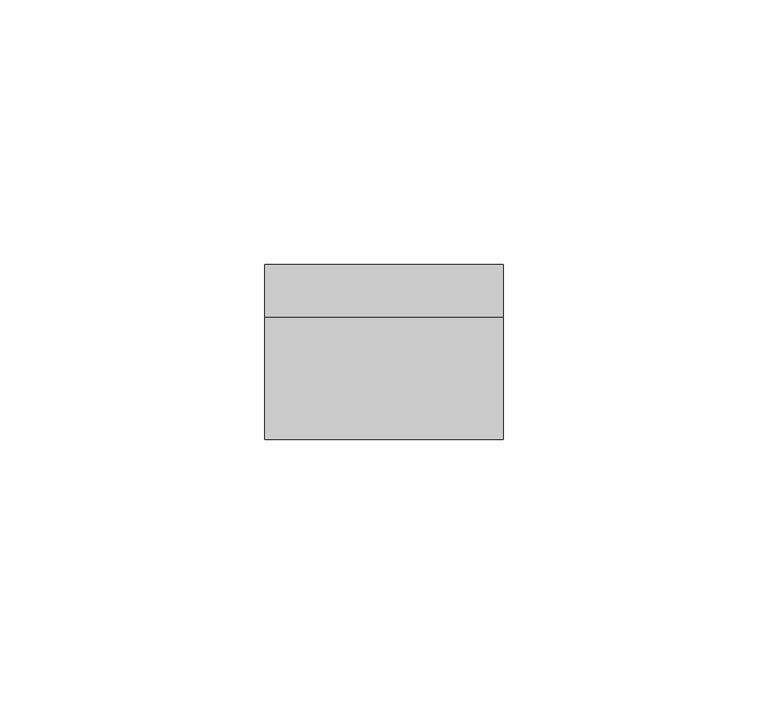
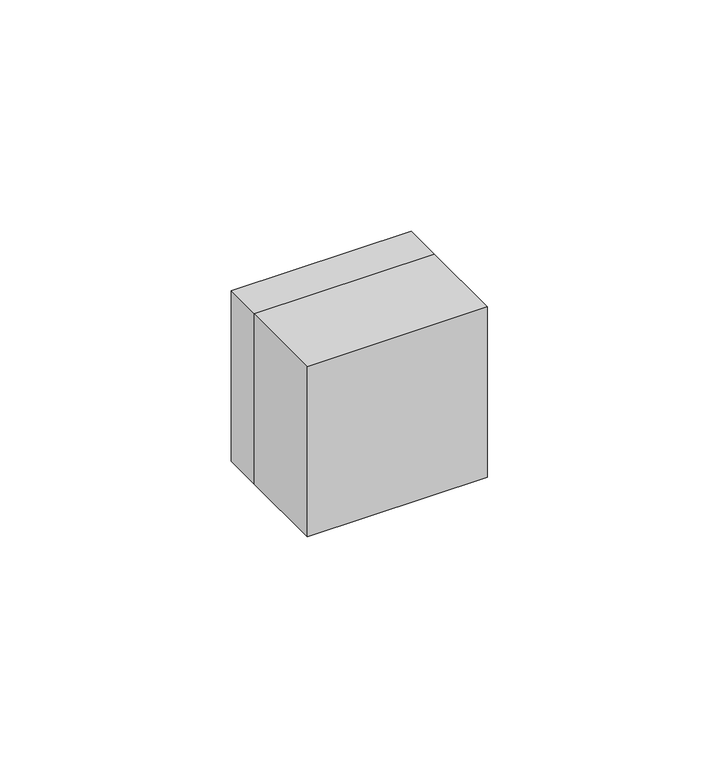
"""IFC4 building model written with IfcOpenShell, lengths in millimetres: proxy geometry."""

import ifcopenshell
import ifcopenshell.guid

model = None  # the IFC model being written
_history = None  # IfcOwnerHistory: only IFC2X3 demands one
_inside = {}  # id of a spatial element -> (the spatial element, [elements in it])
_under = {}  # id of a project, library or spatial element -> (it, [spatial elements below it])
_declared = {}  # id of a project -> (the project, [libraries it declares])
_typed = {}  # id of a type object -> (the type object, [elements of that type])
_made_of = {}  # id of a material, layer set ... -> (it, [elements and type objects made of it])


def new_model(schema):
    """Start an empty IFC model of exactly this schema.

    Asked for "IFC4X3", IfcOpenShell would pick the latest addendum, in which some entities
    have other attributes; the version numbers below select the first issue.
    IFC2X3 requires an IfcOwnerHistory on every rooted entity: one is made here for all.
    """
    global model, _history
    if schema == "IFC4X3":
        model = ifcopenshell.file(schema_version=(4, 3, 0, 0))
    else:
        model = ifcopenshell.file(schema=schema)
    _inside.clear()
    _under.clear()
    _declared.clear()
    _typed.clear()
    _made_of.clear()
    _history = None
    if model.schema == "IFC2X3":
        org = make("IfcOrganization", Name="unknown")
        user = make(
            "IfcPersonAndOrganization",
            ThePerson=make("IfcPerson", FamilyName="unknown"),
            TheOrganization=org,
        )
        app = make(
            "IfcApplication",
            ApplicationDeveloper=org,
            Version="unknown",
            ApplicationFullName="unknown",
            ApplicationIdentifier="unknown",
        )
        _history = make(
            "IfcOwnerHistory",
            OwningUser=user,
            OwningApplication=app,
            ChangeAction="ADDED",
            CreationDate=0,
        )
    return model


def make(cls, **values):
    """One entity of the class cls with the attributes given. An attribute that is None is left unset."""
    return model.create_entity(
        cls, **{name: value for name, value in values.items() if value is not None}
    )


def rooted(cls, **values):
    """An entity with a GlobalId (a new one), such as an element, a storey or a relation."""
    return make(cls, GlobalId=ifcopenshell.guid.new(), OwnerHistory=_history, **values)


def si_unit(unit_type, name, prefix=None):
    """IfcSIUnit, for example si_unit("LENGTHUNIT", "METRE", prefix="MILLI")."""
    return make("IfcSIUnit", UnitType=unit_type, Prefix=prefix, Name=name)


def assignment(units):
    """IfcUnitAssignment: the units of a project."""
    return None if units is None else make("IfcUnitAssignment", Units=units)


def point(xyz):
    """IfcCartesianPoint."""
    return None if xyz is None else make("IfcCartesianPoint", Coordinates=xyz)


def direction(xyz):
    """IfcDirection."""
    return None if xyz is None else make("IfcDirection", DirectionRatios=xyz)


def frame(location, z_axis=None, x_axis=None):
    """IfcAxis2Placement3D, a coordinate frame: its origin and axes. An axis left out is left unset."""
    return make(
        "IfcAxis2Placement3D",
        Location=point(location),
        Axis=direction(z_axis),
        RefDirection=direction(x_axis),
    )


def origin():
    """The frame at (0, 0, 0) with its axes left unset."""
    return frame((0.0, 0.0, 0.0))


def place(relative_to, where):
    """IfcLocalPlacement: puts the frame where relative to a parent placement (None: the world)."""
    return make(
        "IfcLocalPlacement", PlacementRelTo=relative_to, RelativePlacement=where
    )


def context(
    kind, dimensions, precision=None, world=None, true_north=None, identifier=None
):
    """IfcGeometricRepresentationContext, for example the 3D "Model" context."""
    return make(
        "IfcGeometricRepresentationContext",
        ContextIdentifier=identifier,
        ContextType=kind,
        CoordinateSpaceDimension=dimensions,
        Precision=precision,
        WorldCoordinateSystem=world,
        TrueNorth=true_north,
    )


def project(units=None, contexts=None):
    """IfcProject with its units and contexts."""
    return rooted(
        "IfcProject",
        Name="project",
        RepresentationContexts=contexts,
        UnitsInContext=assignment(units),
    )


def spatial(cls, under=None, at=None, **own):
    """A site, building, storey or space (cls), placed at a placement, below another one or the project."""
    s = rooted(cls, ObjectPlacement=at, **own)
    if under is not None:
        _under.setdefault(under.id(), (under, []))[1].append(s)
    return s


def polyline(points):
    """IfcPolyline through the points."""
    return make("IfcPolyline", Points=[point(p) for p in points])


def circle_curve(where, radius):
    """IfcCircle in the frame where."""
    return make("IfcCircle", Position=where, Radius=radius)


def outline(outer, holes=None, kind="AREA"):
    """IfcArbitraryClosedProfileDef: a profile drawn as a closed curve; with holes, ...WithVoids."""
    if holes is None:
        return make("IfcArbitraryClosedProfileDef", ProfileType=kind, OuterCurve=outer)
    return make(
        "IfcArbitraryProfileDefWithVoids",
        ProfileType=kind,
        OuterCurve=outer,
        InnerCurves=holes,
    )


def extrude(swept, where, along, depth):
    """IfcExtrudedAreaSolid: the profile swept, set in the frame where, extruded along a direction by depth."""
    return make(
        "IfcExtrudedAreaSolid",
        SweptArea=swept,
        Position=where,
        ExtrudedDirection=direction(along),
        Depth=depth,
    )


def shape(context_of_items, identifier, shape_type, items):
    """IfcShapeRepresentation: the items that make up one representation, for example the "Body"."""
    return make(
        "IfcShapeRepresentation",
        ContextOfItems=context_of_items,
        RepresentationIdentifier=identifier,
        RepresentationType=shape_type,
        Items=items,
    )


def source(mapping_origin, context_of_items, identifier, shape_type, items):
    """IfcRepresentationMap: a shape defined once, which mapped items show again and again."""
    return make(
        "IfcRepresentationMap",
        MappingOrigin=mapping_origin,
        MappedRepresentation=shape(context_of_items, identifier, shape_type, items),
    )


def transform(
    local_origin,
    x_axis=None,
    y_axis=None,
    z_axis=None,
    scale=None,
    scale2=None,
    scale3=None,
    uniform=True,
):
    """IfcCartesianTransformationOperator3D, or its non-uniform kind. x_axis, y_axis, z_axis: its Axis1, 2, 3."""
    if uniform:
        return make(
            "IfcCartesianTransformationOperator3D",
            Axis1=direction(x_axis),
            Axis2=direction(y_axis),
            LocalOrigin=point(local_origin),
            Scale=scale,
            Axis3=direction(z_axis),
        )
    return make(
        "IfcCartesianTransformationOperator3DnonUniform",
        Axis1=direction(x_axis),
        Axis2=direction(y_axis),
        LocalOrigin=point(local_origin),
        Scale=scale,
        Axis3=direction(z_axis),
        Scale2=scale2,
        Scale3=scale3,
    )


def mapped(mapping_source, mapping_target):
    """IfcMappedItem: shows the shape of a source again, moved by a transform."""
    return make(
        "IfcMappedItem", MappingSource=mapping_source, MappingTarget=mapping_target
    )


def made_of(thing, what):
    """Note that an element or type object is made of a material, layer set ...; save() writes the relation."""
    if what is not None:
        _made_of.setdefault(what.id(), (what, []))[1].append(thing)
    return thing


def element(
    cls,
    number,
    at=None,
    inside=None,
    cuts=None,
    type_object=None,
    material=None,
    context=None,
    identifier="Body",
    shape_type=None,
    held_by="IfcProductDefinitionShape",
    body=None,
    shapes=None,
    **own,
):
    """One element of the class cls, such as IfcWall. Its Tag is "e" and its number.

    at: its placement. inside: the storey or other place that contains it. cuts: it is an
    opening in that element (IfcRelVoidsElement). A single representation is given by context,
    identifier, shape_type and body (its items); several are given by shapes. held_by: the class
    of the entity that holds the representations. save() writes the other relations.
    """
    e = rooted(cls, Tag="e%d" % number, ObjectPlacement=at, **own)
    if body is not None:
        shapes = [shape(context, identifier, shape_type, body)]
    if shapes is not None:
        e.Representation = make(held_by, Representations=shapes)
    if inside is not None:
        _inside.setdefault(inside.id(), (inside, []))[1].append(e)
    if cuts is not None:
        rooted(
            "IfcRelVoidsElement", RelatingBuildingElement=cuts, RelatedOpeningElement=e
        )
    if type_object is not None:
        _typed.setdefault(type_object.id(), (type_object, []))[1].append(e)
    return made_of(e, material)


def aggregate(whole, parts):
    """IfcRelAggregates: a whole, such as a stair, and the parts it consists of."""
    return rooted("IfcRelAggregates", RelatingObject=whole, RelatedObjects=parts)


def save(model, path):
    """Write the relations noted so far, then the file.

    IfcRelAggregates (storeys below a building ...), IfcRelContainedInSpatialStructure (elements
    in a storey), IfcRelDefinesByType, IfcRelAssociatesMaterial and IfcRelDeclares: one each for
    every whole, place, type object, material and project.
    """
    for whole, parts in _under.values():
        aggregate(whole, parts)
    for where, things in _inside.values():
        rooted(
            "IfcRelContainedInSpatialStructure",
            RelatedElements=things,
            RelatingStructure=where,
        )
    for kind, things in _typed.values():
        rooted("IfcRelDefinesByType", RelatedObjects=things, RelatingType=kind)
    for what, things in _made_of.values():
        rooted("IfcRelAssociatesMaterial", RelatedObjects=things, RelatingMaterial=what)
    for by, libraries in _declared.values():
        rooted("IfcRelDeclares", RelatingContext=by, RelatedDefinitions=libraries)
    model.write(path)


def plane_surface(at):
    """IfcPlane: the flat surface through the origin of the frame at, square to its z axis."""
    return make("IfcPlane", Position=at)


def revolved_surface(curve, axis_point, axis_direction):
    """IfcSurfaceOfRevolution: the curve turned about the line through axis_point along axis_direction."""
    return make(
        "IfcSurfaceOfRevolution",
        SweptCurve=make("IfcArbitraryOpenProfileDef", ProfileType="CURVE", Curve=curve),
        AxisPosition=make("IfcAxis1Placement", Location=point(axis_point), Axis=direction(axis_direction)),
    )


def advanced_brep(points, edges, surfaces, faces):
    """IfcAdvancedBrep: a solid bounded by faces that lie on surfaces and meet in shared edges.

    An edge is (start, end): straight between two places in points (the first is 0);
    or (start, end, curve); or (start, end, curve, False) where it runs against its curve.
    A face is (place in surfaces, loops), or (place, loops, False) where it looks against
    its surface's normal. A loop lists edges by number (the first is 1), with a minus sign
    where the edge is run from its end to its start. The first loop is the outer one.
    """
    corners = [point(p) for p in points]
    vertices = [make("IfcVertexPoint", VertexGeometry=c) for c in corners]
    made = []
    for start, end, *more in edges:
        made.append(
            make(
                "IfcEdgeCurve",
                EdgeStart=vertices[start],
                EdgeEnd=vertices[end],
                EdgeGeometry=more[0] if more else make("IfcPolyline", Points=[corners[start], corners[end]]),
                SameSense=more[1] if len(more) > 1 else True,
            )
        )
    hull = []
    for where, loops, *sense in faces:
        bounds = []
        for j, loop in enumerate(loops):
            ring = [make("IfcOrientedEdge", EdgeElement=made[abs(k) - 1], Orientation=k > 0) for k in loop]
            bounds.append(
                make(
                    "IfcFaceOuterBound" if j == 0 else "IfcFaceBound",
                    Bound=make("IfcEdgeLoop", EdgeList=ring),
                    Orientation=True,
                )
            )
        hull.append(make("IfcAdvancedFace", Bounds=bounds, FaceSurface=surfaces[where], SameSense=sense[0] if sense else True))
    return make("IfcAdvancedBrep", Outer=make("IfcClosedShell", CfsFaces=hull))


def electrical_fixtures_3bbee121(model_context):
    return source(origin(), model_context, "Body", "SolidModel", [
        extrude(outline(polyline([(22.5, -23.0), (-22.5, -23.0), (-22.5, 0.0), (22.5, 0.0), (22.5, -23.0)])), frame((0.0, 0.0, -22.5), z_axis=(0.0, 0.0, 1.0), x_axis=(1.0, 0.0, 0.0)), (0.0, 0.0, 1.0), 45.0),
        advanced_brep(
        [(22.5, 10.0, 22.5), (22.5, 10.0, -22.5), (-22.5, 10.0, -22.5), (-22.5, 10.0, 22.5), (-18.0, 10.0, 0.0), (18.0, 10.0, 0.0), (22.5, 0.0, 22.5), (-22.5, 0.0, 22.5), (-22.5, 0.0, -22.5), (22.5, 0.0, -22.5), (-7.0, 0.0, 0.0), (-12.0, 0.0, 0.0), (12.0, 0.0, 0.0), (7.0, 0.0, 0.0), (8.9731851, 0.0, 17.8120198), (12.5935718, 0.0, 21.4324065), (21.4324065, 0.0, 12.5935718), (17.8120198, 0.0, 8.9731851), (-17.8120198, 0.0, 8.9731851), (-21.4324065, 0.0, 12.5935718), (-12.5935718, 0.0, 21.4324065), (-8.9731851, 0.0, 17.8120198), (11.5329116, 0.0, 18.9575328), (18.9575328, 0.0, 11.5329116), (20.018193, 0.0, 12.5935718), (12.5935718, 0.0, 20.018193), (-18.9575328, 0.0, 11.5329116), (-11.5329116, 0.0, 18.9575328), (-12.5935718, 0.0, 20.018193), (-20.018193, 0.0, 12.5935718), (-7.0, 1.0, 0.0), (-12.0, 1.0, 0.0), (12.0, 1.0, 0.0), (7.0, 1.0, 0.0), (-18.0, 1.0, 0.0), (18.0, 1.0, 0.0), (8.9731851, 1.0, 17.8120198), (12.5935718, 1.0, 21.4324065), (17.8120198, 1.0, 8.9731851), (21.4324065, 1.0, 12.5935718), (11.5329116, 1.0, 18.9575328), (18.9575328, 1.0, 11.5329116), (12.5935718, 1.0, 20.018193), (20.018193, 1.0, 12.5935718), (-17.8120198, 1.0, 8.9731851), (-21.4324065, 1.0, 12.5935718), (-8.9731851, 1.0, 17.8120198), (-12.5935718, 1.0, 21.4324065), (-18.9575328, 1.0, 11.5329116), (-11.5329116, 1.0, 18.9575328), (-20.018193, 1.0, 12.5935718), (-12.5935718, 1.0, 20.018193)],
        [
            (0, 1),
            (1, 2),
            (2, 3),
            (3, 0),
            (4, 5, circle_curve(frame((0.0, 10.0, 0.0), z_axis=(0.0, -1.0, 0.0), x_axis=(1.0, 0.0, 0.0)), 18.0)),
            (5, 4, circle_curve(frame((0.0, 10.0, 0.0), z_axis=(0.0, -1.0, 0.0), x_axis=(1.0, 0.0, 0.0)), 18.0)),
            (6, 7),
            (7, 8),
            (8, 9),
            (9, 6),
            (10, 11, circle_curve(frame((-9.5, 0.0, 0.0), z_axis=(0.0, 1.0, 0.0), x_axis=(1.0, 0.0, 0.0)), 2.5)),
            (11, 10, circle_curve(frame((-9.5, 0.0, 0.0), z_axis=(0.0, 1.0, 0.0), x_axis=(1.0, 0.0, 0.0)), 2.5)),
            (12, 13, circle_curve(frame((9.5, 0.0, 0.0), z_axis=(0.0, 1.0, 0.0), x_axis=(1.0, 0.0, 0.0)), 2.5)),
            (13, 12, circle_curve(frame((9.5, 0.0, 0.0), z_axis=(0.0, 1.0, 0.0), x_axis=(1.0, 0.0, 0.0)), 2.5)),
            (14, 15),
            (15, 16),
            (16, 17),
            (17, 14),
            (18, 19),
            (19, 20),
            (20, 21),
            (21, 18),
            (22, 23),
            (23, 24),
            (24, 25),
            (25, 22),
            (26, 27),
            (27, 28),
            (28, 29),
            (29, 26),
            (3, 7),
            (6, 0),
            (2, 8),
            (1, 9),
            (10, 30),
            (30, 31, circle_curve(frame((-9.5, 1.0, 0.0), z_axis=(0.0, 1.0, 0.0), x_axis=(1.0, 0.0, 0.0)), 2.5)),
            (31, 11),
            (31, 30, circle_curve(frame((-9.5, 1.0, 0.0), z_axis=(0.0, 1.0, 0.0), x_axis=(1.0, 0.0, 0.0)), 2.5)),
            (12, 32),
            (32, 33, circle_curve(frame((9.5, 1.0, 0.0), z_axis=(0.0, 1.0, 0.0), x_axis=(1.0, 0.0, 0.0)), 2.5)),
            (33, 13),
            (33, 32, circle_curve(frame((9.5, 1.0, 0.0), z_axis=(0.0, 1.0, 0.0), x_axis=(1.0, 0.0, 0.0)), 2.5)),
            (34, 35, circle_curve(frame((0.0, 1.0, 0.0), z_axis=(0.0, 1.0, 0.0), x_axis=(1.0, 0.0, 0.0)), 18.0)),
            (35, 34, circle_curve(frame((0.0, 1.0, 0.0), z_axis=(0.0, 1.0, 0.0), x_axis=(1.0, 0.0, 0.0)), 18.0)),
            (35, 5),
            (4, 34),
            (36, 37),
            (37, 15),
            (14, 36),
            (38, 36),
            (17, 38),
            (39, 38),
            (16, 39),
            (37, 39),
            (40, 41),
            (41, 23),
            (22, 40),
            (42, 40),
            (25, 42),
            (43, 42),
            (24, 43),
            (41, 43),
            (44, 45),
            (45, 19),
            (18, 44),
            (46, 44),
            (21, 46),
            (47, 46),
            (20, 47),
            (45, 47),
            (48, 49),
            (49, 27),
            (26, 48),
            (50, 48),
            (29, 50),
            (51, 50),
            (28, 51),
            (49, 51),
        ],
        [
            plane_surface(frame((-39.0, 10.0, 22.5), z_axis=(0.0, 1.0, 0.0), x_axis=(1.0, 0.0, 0.0))),
            plane_surface(frame((-39.0, 0.0, 22.5), z_axis=(0.0, -1.0, 0.0), x_axis=(-1.0, 0.0, 0.0))),
            plane_surface(frame((22.5, 0.0, 22.5), z_axis=(0.0, 0.0, 1.0), x_axis=(0.0, 1.0, 0.0))),
            plane_surface(frame((-22.5, 0.0, 22.5), z_axis=(-1.0, 0.0, 0.0), x_axis=(0.0, 1.0, 0.0))),
            plane_surface(frame((-22.5, 0.0, -22.5), z_axis=(0.0, 0.0, -1.0), x_axis=(0.0, 1.0, 0.0))),
            plane_surface(frame((22.5, 0.0, -22.5), z_axis=(1.0, 0.0, 0.0), x_axis=(0.0, 1.0, 0.0))),
            revolved_surface(polyline([(-7.0, 0.0, 0.0), (-7.0, 1.0, 0.0)]), (-9.5, 1.0, 0.0), (0.0, -1.0, 0.0)),
            revolved_surface(polyline([(12.0, 0.0, 0.0), (12.0, 1.0, 0.0)]), (9.5, 0.0, 0.0), (0.0, -1.0, 0.0)),
            plane_surface(frame((18.0, 1.0, 0.0), z_axis=(0.0, 1.0, 0.0), x_axis=(0.0, 0.0, 1.0))),
            revolved_surface(polyline([(18.0, 1.0, 0.0), (18.0, 10.0, 0.0)]), (0.0, 10.0, 0.0), (0.0, -1.0, 0.0)),
            plane_surface(frame((12.5935718, 0.0, 21.4324065), z_axis=(0.7071067811865481, 0.0, -0.7071067811865469), x_axis=(0.0, 1.0, 0.0))),
            plane_surface(frame((8.9731851, 0.0, 17.8120198), z_axis=(0.707106781186547, 0.0, 0.7071067811865481), x_axis=(0.0, 1.0, 0.0))),
            plane_surface(frame((17.8120198, 0.0, 8.9731851), z_axis=(-0.707106781186549, 0.0, 0.7071067811865461), x_axis=(0.0, 1.0, 0.0))),
            plane_surface(frame((21.4324065, 0.0, 12.5935718), z_axis=(-0.7071067811865469, 0.0, -0.7071067811865482), x_axis=(0.0, 1.0, 0.0))),
            plane_surface(frame((18.9575328, 0.0, 11.5329116), z_axis=(-0.7071067811865468, 0.0, -0.7071067811865482), x_axis=(0.0, 1.0, 0.0))),
            plane_surface(frame((11.5329116, 0.0, 18.9575328), z_axis=(-0.7071067811865503, 0.0, 0.7071067811865447), x_axis=(0.0, 1.0, 0.0))),
            plane_surface(frame((12.5935718, 0.0, 20.018193), z_axis=(0.7071067811865468, 0.0, 0.7071067811865482), x_axis=(0.0, 1.0, 0.0))),
            plane_surface(frame((20.018193, 0.0, 12.5935718), z_axis=(0.7071067811865489, 0.0, -0.7071067811865461), x_axis=(0.0, 1.0, 0.0))),
            plane_surface(frame((-21.4324065, 0.0, 12.5935718), z_axis=(0.7071067811865465, 0.0, 0.7071067811865486), x_axis=(0.0, 1.0, 0.0))),
            plane_surface(frame((-17.8120198, 0.0, 8.9731851), z_axis=(-0.7071067811865488, 0.0, 0.7071067811865464), x_axis=(0.0, 1.0, 0.0))),
            plane_surface(frame((-8.9731851, 0.0, 17.8120198), z_axis=(-0.707106781186546, 0.0, -0.7071067811865491), x_axis=(0.0, 1.0, 0.0))),
            plane_surface(frame((-12.5935718, 0.0, 21.4324065), z_axis=(0.707106781186549, 0.0, -0.7071067811865461), x_axis=(0.0, 1.0, 0.0))),
            plane_surface(frame((-11.5329116, 0.0, 18.9575328), z_axis=(0.7071067811865488, 0.0, -0.7071067811865462), x_axis=(0.0, 1.0, 0.0))),
            plane_surface(frame((-18.9575328, 0.0, 11.5329116), z_axis=(-0.7071067811865455, 0.0, -0.7071067811865497), x_axis=(0.0, 1.0, 0.0))),
            plane_surface(frame((-20.018193, 0.0, 12.5935718), z_axis=(-0.7071067811865489, 0.0, 0.7071067811865462), x_axis=(0.0, 1.0, 0.0))),
            plane_surface(frame((-12.5935718, 0.0, 20.018193), z_axis=(0.7071067811865469, 0.0, 0.7071067811865482), x_axis=(0.0, 1.0, 0.0))),
            plane_surface(frame((12.5935718, 1.0, 21.4324065), z_axis=(0.0, -1.0, 0.0), x_axis=(0.7071067811865469, 0.0, 0.7071067811865481))),
            plane_surface(frame((-21.4324065, 1.0, 12.5935718), z_axis=(0.0, -1.0, 0.0), x_axis=(-0.7071067811865486, 0.0, 0.7071067811865465))),
        ],
        [
            (0, [[1, 2, 3, 4], [5, 6]]),
            (1, [[7, 8, 9, 10], [11, 12], [13, 14], [15, 16, 17, 18], [19, 20, 21, 22]]),
            (1, [[23, 24, 25, 26]]),
            (1, [[27, 28, 29, 30]]),
            (2, [[-4, 31, -7, 32]]),
            (3, [[-3, 33, -8, -31]]),
            (4, [[-2, 34, -9, -33]]),
            (5, [[-1, -32, -10, -34]]),
            (6, [[35, 36, 37, -11]]),
            (6, [[-35, -12, -37, 38]]),
            (7, [[39, 40, 41, -13]]),
            (7, [[-39, -14, -41, 42]]),
            (8, [[43, 44], [-36, -38], [-40, -42]]),
            (9, [[-44, 45, -5, 46]]),
            (9, [[-43, -46, -6, -45]]),
            (10, [[47, 48, -15, 49]]),
            (11, [[50, -49, -18, 51]]),
            (12, [[52, -51, -17, 53]]),
            (13, [[54, -53, -16, -48]]),
            (14, [[55, 56, -23, 57]]),
            (15, [[58, -57, -26, 59]]),
            (16, [[60, -59, -25, 61]]),
            (17, [[62, -61, -24, -56]]),
            (18, [[63, 64, -19, 65]]),
            (19, [[66, -65, -22, 67]]),
            (20, [[68, -67, -21, 69]]),
            (21, [[70, -69, -20, -64]]),
            (22, [[71, 72, -27, 73]]),
            (23, [[74, -73, -30, 75]]),
            (24, [[76, -75, -29, 77]]),
            (25, [[78, -77, -28, -72]]),
            (26, [[-47, -50, -52, -54], [-55, -58, -60, -62]]),
            (27, [[-63, -66, -68, -70], [-71, -74, -76, -78]]),
        ],
    ),
    ])


if __name__ == "__main__":
    model = new_model("IFC4")
    model_context = context("Model", 3, world=origin())
    ifc_project = project(units=[si_unit("LENGTHUNIT", "METRE", prefix="MILLI")], contexts=[model_context])
    site = spatial("IfcSite", under=ifc_project)
    building = spatial("IfcBuilding", under=site)
    placement = place(None, origin())
    electrical_fixtures_shape = electrical_fixtures_3bbee121(model_context)
    element("IfcBuildingElementProxy", 1, Name="Electrical Fixtures", at=placement, inside=building, context=model_context, shape_type="MappedRepresentation", body=[
        mapped(electrical_fixtures_shape, transform((0.0, 0.0, 0.0), x_axis=(1.0, 0.0, 0.0), y_axis=(0.0, 1.0, 0.0), z_axis=(0.0, 0.0, 1.0))),
    ])
    save(model, "model.ifc")
